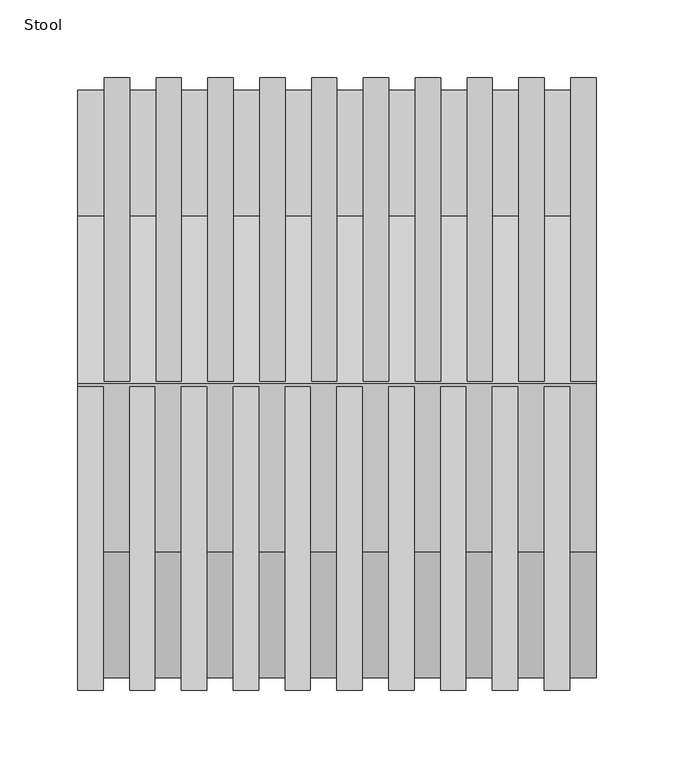
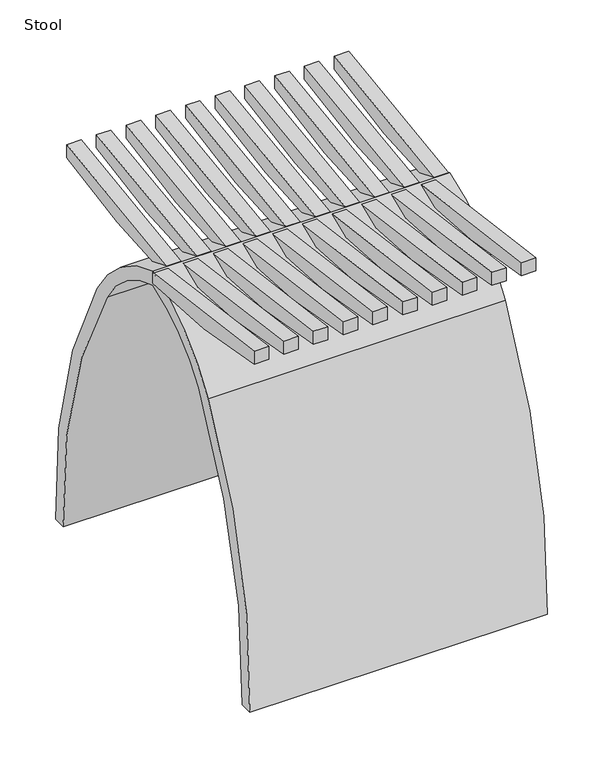
"""IFC4 building model written with IfcOpenShell, lengths in millimetres: furniture geometry, Stool."""

from ifc_helpers import new_model, si_unit, point, frame, frame_2d, origin, place, context, project, spatial, polyline, circle_curve, trimmed, segment, composite_curve, outline, extrude, source, transform, mapped, element, save
from ifc_brep_helpers import plane_surface, cylinder_surface, revolved_surface, advanced_brep


def stool_e0fdb4dd(model_context):
    return source(origin(), model_context, "Body", "SolidModel", [
        advanced_brep(
        [(166.6875, 196.8499939, 417.9948712), (166.6875, 196.8499939, 433.3875), (166.6875, 0.0, 407.4222881), (166.6875, 0.0, 394.6844076), (150.4314973, 196.8499939, 417.9948712), (150.4314973, 196.8499939, 433.3875), (150.4314973, 0.0, 407.4222881), (150.4314973, 0.0, 394.6844076)],
        [
            (0, 1),
            (1, 2, circle_curve(frame((166.6875, -42.1508382, 1486.1521096), z_axis=(-1.0, 0.0, 0.0), x_axis=(0.0, -1.0, 0.0)), 1079.553019)),
            (2, 3),
            (3, 0, circle_curve(frame((166.6875, -6.882433, 1295.6298424), z_axis=(1.0, 0.0, 0.0), x_axis=(0.0, -1.0, 0.0)), 900.9717223)),
            (0, 4),
            (4, 5),
            (5, 1),
            (5, 6, circle_curve(frame((150.4314973, -42.1508382, 1486.1521096), z_axis=(-1.0, 0.0, 0.0), x_axis=(0.0, -1.0, 0.0)), 1079.553019)),
            (6, 2),
            (3, 7),
            (7, 4, circle_curve(frame((150.4314973, -6.882433, 1295.6298424), z_axis=(1.0, 0.0, 0.0), x_axis=(0.0, -1.0, 0.0)), 900.9717223)),
            (7, 6),
        ],
        [
            plane_surface(frame((166.6875, 196.8499939, 433.3875), z_axis=(1.0, 0.0, 0.0), x_axis=(0.0, 0.0, 1.0))),
            plane_surface(frame((166.6875, 196.8499939, 417.9948712), z_axis=(0.0, 1.0, 0.0), x_axis=(-1.0, 0.0, 0.0))),
            revolved_surface(polyline([(150.4314973, -1121.7038572, 1486.1521096), (166.6875, -1121.7038572, 1486.1521096)]), (-166.5605001, -42.1508382, 1486.1521096), (-1.0, 0.0, 0.0)),
            cylinder_surface(frame((-166.5605001, -6.882433, 1295.6298424), z_axis=(1.0, 0.0, 0.0), x_axis=(0.0, -1.0, 0.0)), 900.9717223),
            plane_surface(frame((150.4314973, 0.0, 441.1116549), z_axis=(-1.0, 0.0, 0.0), x_axis=(0.0, 0.0, -1.0))),
            plane_surface(frame((166.6875, 0.0, 441.1116549), z_axis=(0.0, -1.0, 0.0), x_axis=(0.0, 0.0, -1.0))),
        ],
        [
            (0, [[1, 2, 3, 4]]),
            (1, [[-1, 5, 6, 7]]),
            (2, [[-2, -7, 8, 9]]),
            (3, [[-4, 10, 11, -5]]),
            (4, [[-6, -11, 12, -8]]),
            (5, [[-3, -9, -12, -10]]),
        ],
    ),
        advanced_brep(
        [(-166.5605001, 0.0, 394.6844076), (-166.5605001, -196.8499939, 417.9948712), (-166.5605001, -196.8499939, 433.3875), (-166.5605001, 0.0, 407.4222881), (-150.3044975, -196.8499939, 433.3875), (-150.3044975, 0.0, 407.4222881), (-150.3044975, -196.8499939, 417.9948712), (-150.3044975, 0.0, 394.6844076)],
        [
            (0, 1, circle_curve(frame((-166.5605001, 6.882433, 1295.6298424), z_axis=(-1.0, 0.0, 0.0), x_axis=(0.0, 1.0, 0.0)), 900.9717223)),
            (1, 2),
            (2, 3, circle_curve(frame((-166.5605001, 42.1508382, 1486.1521096), z_axis=(1.0, 0.0, 0.0), x_axis=(0.0, 1.0, 0.0)), 1079.553019)),
            (3, 0),
            (2, 4),
            (4, 5, circle_curve(frame((-150.3044975, 42.1508382, 1486.1521096), z_axis=(1.0, 0.0, 0.0), x_axis=(0.0, 1.0, 0.0)), 1079.553019)),
            (5, 3),
            (1, 6),
            (6, 4),
            (0, 7),
            (7, 6, circle_curve(frame((-150.3044975, 6.882433, 1295.6298424), z_axis=(-1.0, 0.0, 0.0), x_axis=(0.0, 1.0, 0.0)), 900.9717223)),
            (5, 7),
        ],
        [
            plane_surface(frame((-166.5605001, 196.8499939, 433.3875), z_axis=(-1.0, 0.0, 0.0), x_axis=(0.0, 0.0, -1.0))),
            revolved_surface(polyline([(-166.5605001, 1121.7038572, 1486.1521096), (-150.3044975, 1121.7038572, 1486.1521096)]), (-166.5605001, 42.1508382, 1486.1521096), (-1.0, 0.0, 0.0)),
            plane_surface(frame((166.6875, -196.8499939, 433.3875), z_axis=(0.0, -1.0, 0.0), x_axis=(-1.0, 0.0, 0.0))),
            cylinder_surface(frame((-166.5605001, 6.882433, 1295.6298424), z_axis=(1.0, 0.0, 0.0), x_axis=(0.0, 1.0, 0.0)), 900.9717223),
            plane_surface(frame((-166.5605001, 0.0, 441.1116549), z_axis=(0.0, 1.0, 0.0), x_axis=(0.0, 0.0, -1.0))),
            plane_surface(frame((-150.3044975, 0.0, 441.1116549), z_axis=(1.0, 0.0, 0.0), x_axis=(0.0, 0.0, -1.0))),
        ],
        [
            (0, [[1, 2, 3, 4]]),
            (1, [[-3, 5, 6, 7]]),
            (2, [[-2, 8, 9, -5]]),
            (3, [[-1, 10, 11, -8]]),
            (4, [[-4, -7, 12, -10]]),
            (5, [[-6, -9, -11, -12]]),
        ],
    ),
        advanced_brep(
        [(-133.2356992, 196.8499939, 417.9948712), (-149.4917019, 196.8499939, 417.9948712), (-149.4917019, 196.8499939, 433.3875), (-133.2356992, 196.8499939, 433.3875), (-149.4917019, 0.0, 407.4222881), (-133.2356992, 0.0, 407.4222881), (-116.9796965, 0.0, 407.4222881), (-133.2356992, -196.8499939, 433.3875), (-116.9796965, -196.8499939, 433.3875), (-133.2356992, -196.8499939, 417.9948712), (-116.9796965, -196.8499939, 417.9948712), (-133.2356992, 0.0, 394.6844076), (-116.9796965, 0.0, 394.6844076), (-149.4917019, 0.0, 394.6844076)],
        [
            (0, 1),
            (1, 2),
            (2, 3),
            (3, 0),
            (2, 4, circle_curve(frame((-149.4917019, -42.1508382, 1486.1521096), z_axis=(-1.0, 0.0, 0.0), x_axis=(0.0, -1.0, 0.0)), 1079.553019)),
            (4, 5),
            (5, 3, circle_curve(frame((-133.2356992, -42.1508382, 1486.1521096), z_axis=(1.0, 0.0, 0.0), x_axis=(0.0, -1.0, 0.0)), 1079.553019)),
            (6, 5),
            (5, 7, circle_curve(frame((-133.2356992, 42.1508382, 1486.1521096), z_axis=(-1.0, 0.0, 0.0), x_axis=(0.0, 1.0, 0.0)), 1079.553019)),
            (7, 8),
            (8, 6, circle_curve(frame((-116.9796965, 42.1508382, 1486.1521096), z_axis=(1.0, 0.0, 0.0), x_axis=(0.0, 1.0, 0.0)), 1079.553019)),
            (7, 9),
            (9, 10),
            (10, 8),
            (9, 11, circle_curve(frame((-133.2356992, 6.882433, 1295.6298424), z_axis=(1.0, 0.0, 0.0), x_axis=(0.0, 1.0, 0.0)), 900.9717223)),
            (11, 12),
            (12, 10, circle_curve(frame((-116.9796965, 6.882433, 1295.6298424), z_axis=(-1.0, 0.0, 0.0), x_axis=(0.0, 1.0, 0.0)), 900.9717223)),
            (0, 11, circle_curve(frame((-133.2356992, -6.882433, 1295.6298424), z_axis=(-1.0, 0.0, 0.0), x_axis=(0.0, -1.0, 0.0)), 900.9717223)),
            (11, 13),
            (13, 1, circle_curve(frame((-149.4917019, -6.882433, 1295.6298424), z_axis=(1.0, 0.0, 0.0), x_axis=(0.0, -1.0, 0.0)), 900.9717223)),
            (5, 11),
            (6, 12),
            (13, 4),
            (11, 5),
        ],
        [
            plane_surface(frame((166.6875, 196.8499939, 417.9948712), z_axis=(0.0, 1.0, 0.0), x_axis=(-1.0, 0.0, 0.0))),
            revolved_surface(polyline([(-149.4917019, -1121.7038572, 1486.1521096), (-133.2356992, -1121.7038572, 1486.1521096)]), (-166.5605001, -42.1508382, 1486.1521096), (-1.0, 0.0, 0.0)),
            revolved_surface(polyline([(-133.2356992, 1121.7038572, 1486.1521096), (-116.9796965, 1121.7038572, 1486.1521096)]), (-166.5605001, 42.1508382, 1486.1521096), (-1.0, 0.0, 0.0)),
            plane_surface(frame((166.6875, -196.8499939, 433.3875), z_axis=(0.0, -1.0, 0.0), x_axis=(-1.0, 0.0, 0.0))),
            cylinder_surface(frame((-166.5605001, 6.882433, 1295.6298424), z_axis=(1.0, 0.0, 0.0), x_axis=(0.0, 1.0, 0.0)), 900.9717223),
            cylinder_surface(frame((-166.5605001, -6.882433, 1295.6298424), z_axis=(1.0, 0.0, 0.0), x_axis=(0.0, -1.0, 0.0)), 900.9717223),
            plane_surface(frame((-133.2356992, 196.8499939, 441.1116549), z_axis=(1.0, 0.0, 0.0), x_axis=(0.0, 0.0, -1.0))),
            plane_surface(frame((-133.2356992, 0.0, 441.1116549), z_axis=(0.0, 1.0, 0.0), x_axis=(0.0, 0.0, -1.0))),
            plane_surface(frame((-149.4917019, 0.0, 441.1116549), z_axis=(-1.0, 0.0, 0.0), x_axis=(0.0, 0.0, -1.0))),
            plane_surface(frame((-116.9796965, 0.0, 441.1116549), z_axis=(1.0, 0.0, 0.0), x_axis=(0.0, 0.0, -1.0))),
            plane_surface(frame((-133.2356992, 0.0, 441.1116549), z_axis=(0.0, -1.0, 0.0), x_axis=(0.0, 0.0, -1.0))),
            plane_surface(frame((-133.2356992, -196.8499939, 441.1116549), z_axis=(-1.0, 0.0, 0.0), x_axis=(0.0, 0.0, -1.0))),
        ],
        [
            (0, [[1, 2, 3, 4]]),
            (1, [[-3, 5, 6, 7]]),
            (2, [[8, 9, 10, 11]]),
            (3, [[-10, 12, 13, 14]]),
            (4, [[-13, 15, 16, 17]]),
            (5, [[-1, 18, 19, 20]]),
            (6, [[21, -18, -4, -7]]),
            (7, [[-21, -8, 22, -16]]),
            (8, [[-2, -20, 23, -5]]),
            (9, [[-11, -14, -17, -22]]),
            (10, [[24, -6, -23, -19]]),
            (11, [[-24, -15, -12, -9]]),
        ],
    ),
        advanced_brep(
        [(-99.9108983, 196.8499939, 417.9948712), (-116.1669009, 196.8499939, 417.9948712), (-116.1669009, 196.8499939, 433.3875), (-99.9108983, 196.8499939, 433.3875), (-116.1669009, 0.0, 407.4222881), (-99.9108983, 0.0, 407.4222881), (-83.6548956, 0.0, 407.4222881), (-99.9108983, -196.8499939, 433.3875), (-83.6548956, -196.8499939, 433.3875), (-99.9108983, -196.8499939, 417.9948712), (-83.6548956, -196.8499939, 417.9948712), (-99.9108983, 0.0, 394.6844076), (-83.6548956, 0.0, 394.6844076), (-116.1669009, 0.0, 394.6844076)],
        [
            (0, 1),
            (1, 2),
            (2, 3),
            (3, 0),
            (2, 4, circle_curve(frame((-116.1669009, -42.1508382, 1486.1521096), z_axis=(-1.0, 0.0, 0.0), x_axis=(0.0, -1.0, 0.0)), 1079.553019)),
            (4, 5),
            (5, 3, circle_curve(frame((-99.9108983, -42.1508382, 1486.1521096), z_axis=(1.0, 0.0, 0.0), x_axis=(0.0, -1.0, 0.0)), 1079.553019)),
            (6, 5),
            (5, 7, circle_curve(frame((-99.9108983, 42.1508382, 1486.1521096), z_axis=(-1.0, 0.0, 0.0), x_axis=(0.0, 1.0, 0.0)), 1079.553019)),
            (7, 8),
            (8, 6, circle_curve(frame((-83.6548956, 42.1508382, 1486.1521096), z_axis=(1.0, 0.0, 0.0), x_axis=(0.0, 1.0, 0.0)), 1079.553019)),
            (7, 9),
            (9, 10),
            (10, 8),
            (9, 11, circle_curve(frame((-99.9108983, 6.882433, 1295.6298424), z_axis=(1.0, 0.0, 0.0), x_axis=(0.0, 1.0, 0.0)), 900.9717223)),
            (11, 12),
            (12, 10, circle_curve(frame((-83.6548956, 6.882433, 1295.6298424), z_axis=(-1.0, 0.0, 0.0), x_axis=(0.0, 1.0, 0.0)), 900.9717223)),
            (0, 11, circle_curve(frame((-99.9108983, -6.882433, 1295.6298424), z_axis=(-1.0, 0.0, 0.0), x_axis=(0.0, -1.0, 0.0)), 900.9717223)),
            (11, 13),
            (13, 1, circle_curve(frame((-116.1669009, -6.882433, 1295.6298424), z_axis=(1.0, 0.0, 0.0), x_axis=(0.0, -1.0, 0.0)), 900.9717223)),
            (13, 4),
            (5, 11),
            (6, 12),
            (11, 5),
        ],
        [
            plane_surface(frame((166.6875, 196.8499939, 417.9948712), z_axis=(0.0, 1.0, 0.0), x_axis=(-1.0, 0.0, 0.0))),
            revolved_surface(polyline([(-116.1669009, -1121.7038572, 1486.1521096), (-99.9108983, -1121.7038572, 1486.1521096)]), (-166.5605001, -42.1508382, 1486.1521096), (-1.0, 0.0, 0.0)),
            revolved_surface(polyline([(-99.9108983, 1121.7038572, 1486.1521096), (-83.6548956, 1121.7038572, 1486.1521096)]), (-166.5605001, 42.1508382, 1486.1521096), (-1.0, 0.0, 0.0)),
            plane_surface(frame((166.6875, -196.8499939, 433.3875), z_axis=(0.0, -1.0, 0.0), x_axis=(-1.0, 0.0, 0.0))),
            cylinder_surface(frame((-166.5605001, 6.882433, 1295.6298424), z_axis=(1.0, 0.0, 0.0), x_axis=(0.0, 1.0, 0.0)), 900.9717223),
            cylinder_surface(frame((-166.5605001, -6.882433, 1295.6298424), z_axis=(1.0, 0.0, 0.0), x_axis=(0.0, -1.0, 0.0)), 900.9717223),
            plane_surface(frame((-116.1669009, 0.0, 441.1116549), z_axis=(-1.0, 0.0, 0.0), x_axis=(0.0, 0.0, -1.0))),
            plane_surface(frame((-99.9108983, 196.8499939, 441.1116549), z_axis=(1.0, 0.0, 0.0), x_axis=(0.0, 0.0, -1.0))),
            plane_surface(frame((-99.9108983, 0.0, 441.1116549), z_axis=(0.0, 1.0, 0.0), x_axis=(0.0, 0.0, -1.0))),
            plane_surface(frame((-99.9108983, 0.0, 441.1116549), z_axis=(0.0, -1.0, 0.0), x_axis=(0.0, 0.0, -1.0))),
            plane_surface(frame((-99.9108983, -196.8499939, 441.1116549), z_axis=(-1.0, 0.0, 0.0), x_axis=(0.0, 0.0, -1.0))),
            plane_surface(frame((-83.6548956, 0.0, 441.1116549), z_axis=(1.0, 0.0, 0.0), x_axis=(0.0, 0.0, -1.0))),
        ],
        [
            (0, [[1, 2, 3, 4]]),
            (1, [[-3, 5, 6, 7]]),
            (2, [[8, 9, 10, 11]]),
            (3, [[-10, 12, 13, 14]]),
            (4, [[-13, 15, 16, 17]]),
            (5, [[-1, 18, 19, 20]]),
            (6, [[-2, -20, 21, -5]]),
            (7, [[22, -18, -4, -7]]),
            (8, [[-22, -8, 23, -16]]),
            (9, [[24, -6, -21, -19]]),
            (10, [[-24, -15, -12, -9]]),
            (11, [[-11, -14, -17, -23]]),
        ],
    ),
        advanced_brep(
        [(-66.5860974, 196.8499939, 417.9948712), (-82.8421, 196.8499939, 417.9948712), (-82.8421, 196.8499939, 433.3875), (-66.5860974, 196.8499939, 433.3875), (-82.8421, 0.0, 407.4222881), (-66.5860974, 0.0, 407.4222881), (-50.3300947, 0.0, 407.4222881), (-66.5860974, -196.8499939, 433.3875), (-50.3300947, -196.8499939, 433.3875), (-66.5860974, -196.8499939, 417.9948712), (-50.3300947, -196.8499939, 417.9948712), (-66.5860974, 0.0, 394.6844076), (-50.3300947, 0.0, 394.6844076), (-82.8421, 0.0, 394.6844076)],
        [
            (0, 1),
            (1, 2),
            (2, 3),
            (3, 0),
            (2, 4, circle_curve(frame((-82.8421, -42.1508382, 1486.1521096), z_axis=(-1.0, 0.0, 0.0), x_axis=(0.0, -1.0, 0.0)), 1079.553019)),
            (4, 5),
            (5, 3, circle_curve(frame((-66.5860974, -42.1508382, 1486.1521096), z_axis=(1.0, 0.0, 0.0), x_axis=(0.0, -1.0, 0.0)), 1079.553019)),
            (6, 5),
            (5, 7, circle_curve(frame((-66.5860974, 42.1508382, 1486.1521096), z_axis=(-1.0, 0.0, 0.0), x_axis=(0.0, 1.0, 0.0)), 1079.553019)),
            (7, 8),
            (8, 6, circle_curve(frame((-50.3300947, 42.1508382, 1486.1521096), z_axis=(1.0, 0.0, 0.0), x_axis=(0.0, 1.0, 0.0)), 1079.553019)),
            (7, 9),
            (9, 10),
            (10, 8),
            (9, 11, circle_curve(frame((-66.5860974, 6.882433, 1295.6298424), z_axis=(1.0, 0.0, 0.0), x_axis=(0.0, 1.0, 0.0)), 900.9717223)),
            (11, 12),
            (12, 10, circle_curve(frame((-50.3300947, 6.882433, 1295.6298424), z_axis=(-1.0, 0.0, 0.0), x_axis=(0.0, 1.0, 0.0)), 900.9717223)),
            (0, 11, circle_curve(frame((-66.5860974, -6.882433, 1295.6298424), z_axis=(-1.0, 0.0, 0.0), x_axis=(0.0, -1.0, 0.0)), 900.9717223)),
            (11, 13),
            (13, 1, circle_curve(frame((-82.8421, -6.882433, 1295.6298424), z_axis=(1.0, 0.0, 0.0), x_axis=(0.0, -1.0, 0.0)), 900.9717223)),
            (13, 4),
            (5, 11),
            (6, 12),
            (11, 5),
        ],
        [
            plane_surface(frame((166.6875, 196.8499939, 417.9948712), z_axis=(0.0, 1.0, 0.0), x_axis=(-1.0, 0.0, 0.0))),
            revolved_surface(polyline([(-82.8421, -1121.7038572, 1486.1521096), (-66.5860974, -1121.7038572, 1486.1521096)]), (-166.5605001, -42.1508382, 1486.1521096), (-1.0, 0.0, 0.0)),
            revolved_surface(polyline([(-66.5860974, 1121.7038572, 1486.1521096), (-50.33009469999999, 1121.7038572, 1486.1521096)]), (-166.5605001, 42.1508382, 1486.1521096), (-1.0, 0.0, 0.0)),
            plane_surface(frame((166.6875, -196.8499939, 433.3875), z_axis=(0.0, -1.0, 0.0), x_axis=(-1.0, 0.0, 0.0))),
            cylinder_surface(frame((-166.5605001, 6.882433, 1295.6298424), z_axis=(1.0, 0.0, 0.0), x_axis=(0.0, 1.0, 0.0)), 900.9717223),
            cylinder_surface(frame((-166.5605001, -6.882433, 1295.6298424), z_axis=(1.0, 0.0, 0.0), x_axis=(0.0, -1.0, 0.0)), 900.9717223),
            plane_surface(frame((-82.8421, 0.0, 441.1116549), z_axis=(-1.0, 0.0, 0.0), x_axis=(0.0, 0.0, -1.0))),
            plane_surface(frame((-66.5860974, 196.8499939, 441.1116549), z_axis=(1.0, 0.0, 0.0), x_axis=(0.0, 0.0, -1.0))),
            plane_surface(frame((-66.5860974, 0.0, 441.1116549), z_axis=(0.0, 1.0, 0.0), x_axis=(0.0, 0.0, -1.0))),
            plane_surface(frame((-66.5860974, 0.0, 441.1116549), z_axis=(0.0, -1.0, 0.0), x_axis=(0.0, 0.0, -1.0))),
            plane_surface(frame((-66.5860974, -196.8499939, 441.1116549), z_axis=(-1.0, 0.0, 0.0), x_axis=(0.0, 0.0, -1.0))),
            plane_surface(frame((-50.3300947, 0.0, 441.1116549), z_axis=(1.0, 0.0, 0.0), x_axis=(0.0, 0.0, -1.0))),
        ],
        [
            (0, [[1, 2, 3, 4]]),
            (1, [[-3, 5, 6, 7]]),
            (2, [[8, 9, 10, 11]]),
            (3, [[-10, 12, 13, 14]]),
            (4, [[-13, 15, 16, 17]]),
            (5, [[-1, 18, 19, 20]]),
            (6, [[-2, -20, 21, -5]]),
            (7, [[22, -18, -4, -7]]),
            (8, [[-22, -8, 23, -16]]),
            (9, [[24, -6, -21, -19]]),
            (10, [[-24, -15, -12, -9]]),
            (11, [[-11, -14, -17, -23]]),
        ],
    ),
        advanced_brep(
        [(-33.2612987, 196.8499939, 417.9948712), (-49.5172991, 196.8499939, 417.9948712), (-49.5172991, 196.8499939, 433.3875), (-33.2612987, 196.8499939, 433.3875), (-49.5172991, 0.0, 407.4222881), (-33.2612987, 0.0, 407.4222881), (-17.005296, 0.0, 407.4222881), (-33.2612964, -196.8499939, 433.3875), (-17.005296, -196.8499939, 433.3875), (-33.2612964, -196.8499939, 417.9948712), (-17.005296, -196.8499939, 417.9948712), (-33.2612964, 0.0, 394.6844076), (-17.005296, 0.0, 394.6844076), (-49.5172991, 0.0, 394.6844076)],
        [
            (0, 1),
            (1, 2),
            (2, 3),
            (3, 0),
            (2, 4, circle_curve(frame((-49.5172991, -42.1508382, 1486.1521096), z_axis=(-1.0, 0.0, 0.0), x_axis=(0.0, -1.0, 0.0)), 1079.553019)),
            (4, 5),
            (5, 3, circle_curve(frame((-33.2612987, -42.1508382, 1486.1521096), z_axis=(1.0, 0.0, 0.0), x_axis=(0.0, -1.0, 0.0)), 1079.553019)),
            (6, 5),
            (5, 7, circle_curve(frame((-33.2612964, 42.1508382, 1486.1521096), z_axis=(-1.0, 0.0, 0.0), x_axis=(0.0, 1.0, 0.0)), 1079.553019)),
            (7, 8),
            (8, 6, circle_curve(frame((-17.005296, 42.1508382, 1486.1521096), z_axis=(1.0, 0.0, 0.0), x_axis=(0.0, 1.0, 0.0)), 1079.553019)),
            (7, 9),
            (9, 10),
            (10, 8),
            (9, 11, circle_curve(frame((-33.2612964, 6.882433, 1295.6298424), z_axis=(1.0, 0.0, 0.0), x_axis=(0.0, 1.0, 0.0)), 900.9717223)),
            (11, 12),
            (12, 10, circle_curve(frame((-17.005296, 6.882433, 1295.6298424), z_axis=(-1.0, 0.0, 0.0), x_axis=(0.0, 1.0, 0.0)), 900.9717223)),
            (0, 11, circle_curve(frame((-33.2612987, -6.882433, 1295.6298424), z_axis=(-1.0, 0.0, 0.0), x_axis=(0.0, -1.0, 0.0)), 900.9717223)),
            (11, 13),
            (13, 1, circle_curve(frame((-49.5172991, -6.882433, 1295.6298424), z_axis=(1.0, 0.0, 0.0), x_axis=(0.0, -1.0, 0.0)), 900.9717223)),
            (13, 4),
            (5, 11),
            (6, 12),
            (11, 5),
        ],
        [
            plane_surface(frame((166.6875, 196.8499939, 417.9948712), z_axis=(0.0, 1.0, 0.0), x_axis=(-1.0, 0.0, 0.0))),
            revolved_surface(polyline([(-49.5172991, -1121.7038572, 1486.1521096), (-33.2612987, -1121.7038572, 1486.1521096)]), (-166.5605001, -42.1508382, 1486.1521096), (-1.0, 0.0, 0.0)),
            revolved_surface(polyline([(-33.2612987, 1121.7038572, 1486.1521096), (-17.005295999999987, 1121.7038572, 1486.1521096)]), (-166.5605001, 42.1508382, 1486.1521096), (-1.0, 0.0, 0.0)),
            plane_surface(frame((166.6875, -196.8499939, 433.3875), z_axis=(0.0, -1.0, 0.0), x_axis=(-1.0, 0.0, 0.0))),
            cylinder_surface(frame((-166.5605001, 6.882433, 1295.6298424), z_axis=(1.0, 0.0, 0.0), x_axis=(0.0, 1.0, 0.0)), 900.9717223),
            cylinder_surface(frame((-166.5605001, -6.882433, 1295.6298424), z_axis=(1.0, 0.0, 0.0), x_axis=(0.0, -1.0, 0.0)), 900.9717223),
            plane_surface(frame((-49.5172991, 0.0, 441.1116549), z_axis=(-1.0, 0.0, 0.0), x_axis=(0.0, 0.0, -1.0))),
            plane_surface(frame((-33.2612987, 196.8499939, 441.1116549), z_axis=(1.0, 0.0, 0.0), x_axis=(0.0, 0.0, -1.0))),
            plane_surface(frame((-33.2612987, 0.0, 441.1116549), z_axis=(0.0, 1.0, 0.0), x_axis=(0.0, 0.0, -1.0))),
            plane_surface(frame((-33.2612964, 0.0, 441.1116549), z_axis=(0.0, -1.0, 0.0), x_axis=(0.0, 0.0, -1.0))),
            plane_surface(frame((-33.2612964, -196.8499939, 441.1116549), z_axis=(-1.0, 0.0, 0.0), x_axis=(0.0, 0.0, -1.0))),
            plane_surface(frame((-17.005296, 0.0, 441.1116549), z_axis=(1.0, 0.0, 0.0), x_axis=(0.0, 0.0, -1.0))),
        ],
        [
            (0, [[1, 2, 3, 4]]),
            (1, [[-3, 5, 6, 7]]),
            (2, [[8, 9, 10, 11]]),
            (3, [[-10, 12, 13, 14]]),
            (4, [[-13, 15, 16, 17]]),
            (5, [[-1, 18, 19, 20]]),
            (6, [[-2, -20, 21, -5]]),
            (7, [[22, -18, -4, -7]]),
            (8, [[-22, -8, 23, -16]]),
            (9, [[24, -6, -21, -19]]),
            (10, [[-24, -15, -12, -9]]),
            (11, [[-11, -14, -17, -23]]),
        ],
    ),
        advanced_brep(
        [(0.0635022, 196.8499939, 417.9948712), (-16.1925005, 196.8499939, 417.9948712), (-16.1925005, 196.8499939, 433.3875), (0.0635022, 196.8499939, 433.3875), (-16.1925005, 0.0, 407.4222881), (0.0635022, 0.0, 407.4222881), (16.3195049, 0.0, 407.4222881), (0.0635022, -196.8499939, 433.3875), (16.3195049, -196.8499939, 433.3875), (0.0635022, -196.8499939, 417.9948712), (16.3195049, -196.8499939, 417.9948712), (0.0635022, 0.0, 394.6844076), (16.3195049, 0.0, 394.6844076), (-16.1925005, 0.0, 394.6844076)],
        [
            (0, 1),
            (1, 2),
            (2, 3),
            (3, 0),
            (2, 4, circle_curve(frame((-16.1925005, -42.1508382, 1486.1521096), z_axis=(-1.0, 0.0, 0.0), x_axis=(0.0, -1.0, 0.0)), 1079.553019)),
            (4, 5),
            (5, 3, circle_curve(frame((0.0635022, -42.1508382, 1486.1521096), z_axis=(1.0, 0.0, 0.0), x_axis=(0.0, -1.0, 0.0)), 1079.553019)),
            (6, 5),
            (5, 7, circle_curve(frame((0.0635022, 42.1508382, 1486.1521096), z_axis=(-1.0, 0.0, 0.0), x_axis=(0.0, 1.0, 0.0)), 1079.553019)),
            (7, 8),
            (8, 6, circle_curve(frame((16.3195049, 42.1508382, 1486.1521096), z_axis=(1.0, 0.0, 0.0), x_axis=(0.0, 1.0, 0.0)), 1079.553019)),
            (7, 9),
            (9, 10),
            (10, 8),
            (9, 11, circle_curve(frame((0.0635022, 6.882433, 1295.6298424), z_axis=(1.0, 0.0, 0.0), x_axis=(0.0, 1.0, 0.0)), 900.9717223)),
            (11, 12),
            (12, 10, circle_curve(frame((16.3195049, 6.882433, 1295.6298424), z_axis=(-1.0, 0.0, 0.0), x_axis=(0.0, 1.0, 0.0)), 900.9717223)),
            (0, 11, circle_curve(frame((0.0635022, -6.882433, 1295.6298424), z_axis=(-1.0, 0.0, 0.0), x_axis=(0.0, -1.0, 0.0)), 900.9717223)),
            (11, 13),
            (13, 1, circle_curve(frame((-16.1925005, -6.882433, 1295.6298424), z_axis=(1.0, 0.0, 0.0), x_axis=(0.0, -1.0, 0.0)), 900.9717223)),
            (13, 4),
            (5, 11),
            (6, 12),
            (11, 5),
        ],
        [
            plane_surface(frame((166.6875, 196.8499939, 417.9948712), z_axis=(0.0, 1.0, 0.0), x_axis=(-1.0, 0.0, 0.0))),
            revolved_surface(polyline([(-16.192500499999994, -1121.7038572, 1486.1521096), (0.06350219999998785, -1121.7038572, 1486.1521096)]), (-166.5605001, -42.1508382, 1486.1521096), (-1.0, 0.0, 0.0)),
            revolved_surface(polyline([(0.06350219999998785, 1121.7038572, 1486.1521096), (16.3195049, 1121.7038572, 1486.1521096)]), (-166.5605001, 42.1508382, 1486.1521096), (-1.0, 0.0, 0.0)),
            plane_surface(frame((166.6875, -196.8499939, 433.3875), z_axis=(0.0, -1.0, 0.0), x_axis=(-1.0, 0.0, 0.0))),
            cylinder_surface(frame((-166.5605001, 6.882433, 1295.6298424), z_axis=(1.0, 0.0, 0.0), x_axis=(0.0, 1.0, 0.0)), 900.9717223),
            cylinder_surface(frame((-166.5605001, -6.882433, 1295.6298424), z_axis=(1.0, 0.0, 0.0), x_axis=(0.0, -1.0, 0.0)), 900.9717223),
            plane_surface(frame((-16.1925005, 0.0, 441.1116549), z_axis=(-1.0, 0.0, 0.0), x_axis=(0.0, 0.0, -1.0))),
            plane_surface(frame((0.0635022, 196.8499939, 441.1116549), z_axis=(1.0, 0.0, 0.0), x_axis=(0.0, 0.0, -1.0))),
            plane_surface(frame((0.0635022, 0.0, 441.1116549), z_axis=(0.0, 1.0, 0.0), x_axis=(0.0, 0.0, -1.0))),
            plane_surface(frame((0.0635022, 0.0, 441.1116549), z_axis=(0.0, -1.0, 0.0), x_axis=(0.0, 0.0, -1.0))),
            plane_surface(frame((0.0635022, -196.8499939, 441.1116549), z_axis=(-1.0, 0.0, 0.0), x_axis=(0.0, 0.0, -1.0))),
            plane_surface(frame((16.3195049, 0.0, 441.1116549), z_axis=(1.0, 0.0, 0.0), x_axis=(0.0, 0.0, -1.0))),
        ],
        [
            (0, [[1, 2, 3, 4]]),
            (1, [[-3, 5, 6, 7]]),
            (2, [[8, 9, 10, 11]]),
            (3, [[-10, 12, 13, 14]]),
            (4, [[-13, 15, 16, 17]]),
            (5, [[-1, 18, 19, 20]]),
            (6, [[-2, -20, 21, -5]]),
            (7, [[22, -18, -4, -7]]),
            (8, [[-22, -8, 23, -16]]),
            (9, [[24, -6, -21, -19]]),
            (10, [[-24, -15, -12, -9]]),
            (11, [[-11, -14, -17, -23]]),
        ],
    ),
        advanced_brep(
        [(33.3883009, 196.8499939, 417.9948712), (17.1323005, 196.8499939, 417.9948712), (17.1323005, 196.8499939, 433.3875), (33.3883009, 196.8499939, 433.3875), (17.1323005, 0.0, 407.4222881), (33.3883009, 0.0, 407.4222881), (49.6443035, 0.0, 407.4222881), (33.3883031, -196.8499939, 433.3875), (49.6443035, -196.8499939, 433.3875), (33.3883031, -196.8499939, 417.9948712), (49.6443035, -196.8499939, 417.9948712), (33.3883031, 0.0, 394.6844076), (49.6443035, 0.0, 394.6844076), (17.1323005, 0.0, 394.6844076)],
        [
            (0, 1),
            (1, 2),
            (2, 3),
            (3, 0),
            (2, 4, circle_curve(frame((17.1323005, -42.1508382, 1486.1521096), z_axis=(-1.0, 0.0, 0.0), x_axis=(0.0, -1.0, 0.0)), 1079.553019)),
            (4, 5),
            (5, 3, circle_curve(frame((33.3883009, -42.1508382, 1486.1521096), z_axis=(1.0, 0.0, 0.0), x_axis=(0.0, -1.0, 0.0)), 1079.553019)),
            (6, 5),
            (5, 7, circle_curve(frame((33.3883031, 42.1508382, 1486.1521096), z_axis=(-1.0, 0.0, 0.0), x_axis=(0.0, 1.0, 0.0)), 1079.553019)),
            (7, 8),
            (8, 6, circle_curve(frame((49.6443035, 42.1508382, 1486.1521096), z_axis=(1.0, 0.0, 0.0), x_axis=(0.0, 1.0, 0.0)), 1079.553019)),
            (7, 9),
            (9, 10),
            (10, 8),
            (9, 11, circle_curve(frame((33.3883031, 6.882433, 1295.6298424), z_axis=(1.0, 0.0, 0.0), x_axis=(0.0, 1.0, 0.0)), 900.9717223)),
            (11, 12),
            (12, 10, circle_curve(frame((49.6443035, 6.882433, 1295.6298424), z_axis=(-1.0, 0.0, 0.0), x_axis=(0.0, 1.0, 0.0)), 900.9717223)),
            (0, 11, circle_curve(frame((33.3883009, -6.882433, 1295.6298424), z_axis=(-1.0, 0.0, 0.0), x_axis=(0.0, -1.0, 0.0)), 900.9717223)),
            (11, 13),
            (13, 1, circle_curve(frame((17.1323005, -6.882433, 1295.6298424), z_axis=(1.0, 0.0, 0.0), x_axis=(0.0, -1.0, 0.0)), 900.9717223)),
            (13, 4),
            (5, 11),
            (6, 12),
            (11, 5),
        ],
        [
            plane_surface(frame((166.6875, 196.8499939, 417.9948712), z_axis=(0.0, 1.0, 0.0), x_axis=(-1.0, 0.0, 0.0))),
            revolved_surface(polyline([(17.132300499999985, -1121.7038572, 1486.1521096), (33.38830089999999, -1121.7038572, 1486.1521096)]), (-166.5605001, -42.1508382, 1486.1521096), (-1.0, 0.0, 0.0)),
            revolved_surface(polyline([(33.38830089999999, 1121.7038572, 1486.1521096), (49.64430350000001, 1121.7038572, 1486.1521096)]), (-166.5605001, 42.1508382, 1486.1521096), (-1.0, 0.0, 0.0)),
            plane_surface(frame((166.6875, -196.8499939, 433.3875), z_axis=(0.0, -1.0, 0.0), x_axis=(-1.0, 0.0, 0.0))),
            cylinder_surface(frame((-166.5605001, 6.882433, 1295.6298424), z_axis=(1.0, 0.0, 0.0), x_axis=(0.0, 1.0, 0.0)), 900.9717223),
            cylinder_surface(frame((-166.5605001, -6.882433, 1295.6298424), z_axis=(1.0, 0.0, 0.0), x_axis=(0.0, -1.0, 0.0)), 900.9717223),
            plane_surface(frame((17.1323005, 0.0, 441.1116549), z_axis=(-1.0, 0.0, 0.0), x_axis=(0.0, 0.0, -1.0))),
            plane_surface(frame((33.3883009, 196.8499939, 441.1116549), z_axis=(1.0, 0.0, 0.0), x_axis=(0.0, 0.0, -1.0))),
            plane_surface(frame((33.3883009, 0.0, 441.1116549), z_axis=(0.0, 1.0, 0.0), x_axis=(0.0, 0.0, -1.0))),
            plane_surface(frame((33.3883031, 0.0, 441.1116549), z_axis=(0.0, -1.0, 0.0), x_axis=(0.0, 0.0, -1.0))),
            plane_surface(frame((33.3883031, -196.8499939, 441.1116549), z_axis=(-1.0, 0.0, 0.0), x_axis=(0.0, 0.0, -1.0))),
            plane_surface(frame((49.6443035, 0.0, 441.1116549), z_axis=(1.0, 0.0, 0.0), x_axis=(0.0, 0.0, -1.0))),
        ],
        [
            (0, [[1, 2, 3, 4]]),
            (1, [[-3, 5, 6, 7]]),
            (2, [[8, 9, 10, 11]]),
            (3, [[-10, 12, 13, 14]]),
            (4, [[-13, 15, 16, 17]]),
            (5, [[-1, 18, 19, 20]]),
            (6, [[-2, -20, 21, -5]]),
            (7, [[22, -18, -4, -7]]),
            (8, [[-22, -8, 23, -16]]),
            (9, [[24, -6, -21, -19]]),
            (10, [[-24, -15, -12, -9]]),
            (11, [[-11, -14, -17, -23]]),
        ],
    ),
        advanced_brep(
        [(66.7130972, 196.8499939, 417.9948712), (50.4570991, 196.8499939, 417.9948712), (50.4570991, 196.8499939, 433.3875), (66.7130972, 196.8499939, 433.3875), (50.4570991, 0.0, 407.4222881), (66.7130972, 0.0, 407.4222881), (82.9690999, 0.0, 407.4222881), (66.7131018, -196.8499939, 433.3875), (82.9690999, -196.8499939, 433.3875), (66.7131018, -196.8499939, 417.9948712), (82.9690999, -196.8499939, 417.9948712), (66.7131018, 0.0, 394.6844076), (82.9690999, 0.0, 394.6844076), (50.4570991, 0.0, 394.6844076)],
        [
            (0, 1),
            (1, 2),
            (2, 3),
            (3, 0),
            (2, 4, circle_curve(frame((50.4570991, -42.1508382, 1486.1521096), z_axis=(-1.0, 0.0, 0.0), x_axis=(0.0, -1.0, 0.0)), 1079.553019)),
            (4, 5),
            (5, 3, circle_curve(frame((66.7130972, -42.1508382, 1486.1521096), z_axis=(1.0, 0.0, 0.0), x_axis=(0.0, -1.0, 0.0)), 1079.553019)),
            (6, 5),
            (5, 7, circle_curve(frame((66.7131018, 42.1508382, 1486.1521096), z_axis=(-1.0, 0.0, 0.0), x_axis=(0.0, 1.0, 0.0)), 1079.553019)),
            (7, 8),
            (8, 6, circle_curve(frame((82.9690999, 42.1508382, 1486.1521096), z_axis=(1.0, 0.0, 0.0), x_axis=(0.0, 1.0, 0.0)), 1079.553019)),
            (7, 9),
            (9, 10),
            (10, 8),
            (9, 11, circle_curve(frame((66.7131018, 6.882433, 1295.6298424), z_axis=(1.0, 0.0, 0.0), x_axis=(0.0, 1.0, 0.0)), 900.9717223)),
            (11, 12),
            (12, 10, circle_curve(frame((82.9690999, 6.882433, 1295.6298424), z_axis=(-1.0, 0.0, 0.0), x_axis=(0.0, 1.0, 0.0)), 900.9717223)),
            (0, 11, circle_curve(frame((66.7130972, -6.882433, 1295.6298424), z_axis=(-1.0, 0.0, 0.0), x_axis=(0.0, -1.0, 0.0)), 900.9717223)),
            (11, 13),
            (13, 1, circle_curve(frame((50.4570991, -6.882433, 1295.6298424), z_axis=(1.0, 0.0, 0.0), x_axis=(0.0, -1.0, 0.0)), 900.9717223)),
            (13, 4),
            (5, 11),
            (6, 12),
            (11, 5),
        ],
        [
            plane_surface(frame((166.6875, 196.8499939, 417.9948712), z_axis=(0.0, 1.0, 0.0), x_axis=(-1.0, 0.0, 0.0))),
            revolved_surface(polyline([(50.45709909999999, -1121.7038572, 1486.1521096), (66.71309719999999, -1121.7038572, 1486.1521096)]), (-166.5605001, -42.1508382, 1486.1521096), (-1.0, 0.0, 0.0)),
            revolved_surface(polyline([(66.71309719999999, 1121.7038572, 1486.1521096), (82.9690999, 1121.7038572, 1486.1521096)]), (-166.5605001, 42.1508382, 1486.1521096), (-1.0, 0.0, 0.0)),
            plane_surface(frame((166.6875, -196.8499939, 433.3875), z_axis=(0.0, -1.0, 0.0), x_axis=(-1.0, 0.0, 0.0))),
            cylinder_surface(frame((-166.5605001, 6.882433, 1295.6298424), z_axis=(1.0, 0.0, 0.0), x_axis=(0.0, 1.0, 0.0)), 900.9717223),
            cylinder_surface(frame((-166.5605001, -6.882433, 1295.6298424), z_axis=(1.0, 0.0, 0.0), x_axis=(0.0, -1.0, 0.0)), 900.9717223),
            plane_surface(frame((50.4570991, 0.0, 441.1116549), z_axis=(-1.0, 0.0, 0.0), x_axis=(0.0, 0.0, -1.0))),
            plane_surface(frame((66.7130972, 196.8499939, 441.1116549), z_axis=(1.0, 0.0, 0.0), x_axis=(0.0, 0.0, -1.0))),
            plane_surface(frame((66.7130972, 0.0, 441.1116549), z_axis=(0.0, 1.0, 0.0), x_axis=(0.0, 0.0, -1.0))),
            plane_surface(frame((66.7131018, 0.0, 441.1116549), z_axis=(0.0, -1.0, 0.0), x_axis=(0.0, 0.0, -1.0))),
            plane_surface(frame((66.7131018, -196.8499939, 441.1116549), z_axis=(-1.0, 0.0, 0.0), x_axis=(0.0, 0.0, -1.0))),
            plane_surface(frame((82.9690999, 0.0, 441.1116549), z_axis=(1.0, 0.0, 0.0), x_axis=(0.0, 0.0, -1.0))),
        ],
        [
            (0, [[1, 2, 3, 4]]),
            (1, [[-3, 5, 6, 7]]),
            (2, [[8, 9, 10, 11]]),
            (3, [[-10, 12, 13, 14]]),
            (4, [[-13, 15, 16, 17]]),
            (5, [[-1, 18, 19, 20]]),
            (6, [[-2, -20, 21, -5]]),
            (7, [[22, -18, -4, -7]]),
            (8, [[-22, -8, 23, -16]]),
            (9, [[24, -6, -21, -19]]),
            (10, [[-24, -15, -12, -9]]),
            (11, [[-11, -14, -17, -23]]),
        ],
    ),
        advanced_brep(
        [(100.0378982, 196.8499939, 417.9948712), (83.7818955, 196.8499939, 417.9948712), (83.7818955, 196.8499939, 433.3875), (100.0378982, 196.8499939, 433.3875), (83.7818955, 0.0, 407.4222881), (100.0378982, 0.0, 407.4222881), (116.2939008, 0.0, 407.4222881), (100.0378982, -196.8499939, 433.3875), (116.2939008, -196.8499939, 433.3875), (100.0378982, -196.8499939, 417.9948712), (116.2939008, -196.8499939, 417.9948712), (100.0378982, 0.0, 394.6844076), (116.2939008, 0.0, 394.6844076), (83.7818955, 0.0, 394.6844076)],
        [
            (0, 1),
            (1, 2),
            (2, 3),
            (3, 0),
            (2, 4, circle_curve(frame((83.7818955, -42.1508382, 1486.1521096), z_axis=(-1.0, 0.0, 0.0), x_axis=(0.0, -1.0, 0.0)), 1079.553019)),
            (4, 5),
            (5, 3, circle_curve(frame((100.0378982, -42.1508382, 1486.1521096), z_axis=(1.0, 0.0, 0.0), x_axis=(0.0, -1.0, 0.0)), 1079.553019)),
            (6, 5),
            (5, 7, circle_curve(frame((100.0378982, 42.1508382, 1486.1521096), z_axis=(-1.0, 0.0, 0.0), x_axis=(0.0, 1.0, 0.0)), 1079.553019)),
            (7, 8),
            (8, 6, circle_curve(frame((116.2939008, 42.1508382, 1486.1521096), z_axis=(1.0, 0.0, 0.0), x_axis=(0.0, 1.0, 0.0)), 1079.553019)),
            (7, 9),
            (9, 10),
            (10, 8),
            (9, 11, circle_curve(frame((100.0378982, 6.882433, 1295.6298424), z_axis=(1.0, 0.0, 0.0), x_axis=(0.0, 1.0, 0.0)), 900.9717223)),
            (11, 12),
            (12, 10, circle_curve(frame((116.2939008, 6.882433, 1295.6298424), z_axis=(-1.0, 0.0, 0.0), x_axis=(0.0, 1.0, 0.0)), 900.9717223)),
            (0, 11, circle_curve(frame((100.0378982, -6.882433, 1295.6298424), z_axis=(-1.0, 0.0, 0.0), x_axis=(0.0, -1.0, 0.0)), 900.9717223)),
            (11, 13),
            (13, 1, circle_curve(frame((83.7818955, -6.882433, 1295.6298424), z_axis=(1.0, 0.0, 0.0), x_axis=(0.0, -1.0, 0.0)), 900.9717223)),
            (13, 4),
            (5, 11),
            (6, 12),
            (11, 5),
        ],
        [
            plane_surface(frame((166.6875, 196.8499939, 417.9948712), z_axis=(0.0, 1.0, 0.0), x_axis=(-1.0, 0.0, 0.0))),
            revolved_surface(polyline([(83.78189550000002, -1121.7038572, 1486.1521096), (100.03789819999997, -1121.7038572, 1486.1521096)]), (-166.5605001, -42.1508382, 1486.1521096), (-1.0, 0.0, 0.0)),
            revolved_surface(polyline([(100.03789819999997, 1121.7038572, 1486.1521096), (116.29390080000002, 1121.7038572, 1486.1521096)]), (-166.5605001, 42.1508382, 1486.1521096), (-1.0, 0.0, 0.0)),
            plane_surface(frame((166.6875, -196.8499939, 433.3875), z_axis=(0.0, -1.0, 0.0), x_axis=(-1.0, 0.0, 0.0))),
            cylinder_surface(frame((-166.5605001, 6.882433, 1295.6298424), z_axis=(1.0, 0.0, 0.0), x_axis=(0.0, 1.0, 0.0)), 900.9717223),
            cylinder_surface(frame((-166.5605001, -6.882433, 1295.6298424), z_axis=(1.0, 0.0, 0.0), x_axis=(0.0, -1.0, 0.0)), 900.9717223),
            plane_surface(frame((83.7818955, 0.0, 441.1116549), z_axis=(-1.0, 0.0, 0.0), x_axis=(0.0, 0.0, -1.0))),
            plane_surface(frame((100.0378982, 196.8499939, 441.1116549), z_axis=(1.0, 0.0, 0.0), x_axis=(0.0, 0.0, -1.0))),
            plane_surface(frame((100.0378982, 0.0, 441.1116549), z_axis=(0.0, 1.0, 0.0), x_axis=(0.0, 0.0, -1.0))),
            plane_surface(frame((100.0378982, 0.0, 441.1116549), z_axis=(0.0, -1.0, 0.0), x_axis=(0.0, 0.0, -1.0))),
            plane_surface(frame((100.0378982, -196.8499939, 441.1116549), z_axis=(-1.0, 0.0, 0.0), x_axis=(0.0, 0.0, -1.0))),
            plane_surface(frame((116.2939008, 0.0, 441.1116549), z_axis=(1.0, 0.0, 0.0), x_axis=(0.0, 0.0, -1.0))),
        ],
        [
            (0, [[1, 2, 3, 4]]),
            (1, [[-3, 5, 6, 7]]),
            (2, [[8, 9, 10, 11]]),
            (3, [[-10, 12, 13, 14]]),
            (4, [[-13, 15, 16, 17]]),
            (5, [[-1, 18, 19, 20]]),
            (6, [[-2, -20, 21, -5]]),
            (7, [[22, -18, -4, -7]]),
            (8, [[-22, -8, 23, -16]]),
            (9, [[24, -6, -21, -19]]),
            (10, [[-24, -15, -12, -9]]),
            (11, [[-11, -14, -17, -23]]),
        ],
    ),
        advanced_brep(
        [(133.3626991, 196.8499939, 417.9948712), (117.1066964, 196.8499939, 417.9948712), (117.1066964, 196.8499939, 433.3875), (133.3626991, 196.8499939, 433.3875), (117.1066964, 0.0, 407.4222881), (133.3626991, 0.0, 407.4222881), (149.6187017, 0.0, 407.4222881), (133.3626991, -196.8499939, 433.3875), (149.6187017, -196.8499939, 433.3875), (133.3626991, -196.8499939, 417.9948712), (149.6187017, -196.8499939, 417.9948712), (133.3626991, 0.0, 394.6844076), (149.6187017, 0.0, 394.6844076), (117.1066964, 0.0, 394.6844076)],
        [
            (0, 1),
            (1, 2),
            (2, 3),
            (3, 0),
            (2, 4, circle_curve(frame((117.1066964, -42.1508382, 1486.1521096), z_axis=(-1.0, 0.0, 0.0), x_axis=(0.0, -1.0, 0.0)), 1079.553019)),
            (4, 5),
            (5, 3, circle_curve(frame((133.3626991, -42.1508382, 1486.1521096), z_axis=(1.0, 0.0, 0.0), x_axis=(0.0, -1.0, 0.0)), 1079.553019)),
            (6, 5),
            (5, 7, circle_curve(frame((133.3626991, 42.1508382, 1486.1521096), z_axis=(-1.0, 0.0, 0.0), x_axis=(0.0, 1.0, 0.0)), 1079.553019)),
            (7, 8),
            (8, 6, circle_curve(frame((149.6187017, 42.1508382, 1486.1521096), z_axis=(1.0, 0.0, 0.0), x_axis=(0.0, 1.0, 0.0)), 1079.553019)),
            (7, 9),
            (9, 10),
            (10, 8),
            (9, 11, circle_curve(frame((133.3626991, 6.882433, 1295.6298424), z_axis=(1.0, 0.0, 0.0), x_axis=(0.0, 1.0, 0.0)), 900.9717223)),
            (11, 12),
            (12, 10, circle_curve(frame((149.6187017, 6.882433, 1295.6298424), z_axis=(-1.0, 0.0, 0.0), x_axis=(0.0, 1.0, 0.0)), 900.9717223)),
            (0, 11, circle_curve(frame((133.3626991, -6.882433, 1295.6298424), z_axis=(-1.0, 0.0, 0.0), x_axis=(0.0, -1.0, 0.0)), 900.9717223)),
            (11, 13),
            (13, 1, circle_curve(frame((117.1066964, -6.882433, 1295.6298424), z_axis=(1.0, 0.0, 0.0), x_axis=(0.0, -1.0, 0.0)), 900.9717223)),
            (13, 4),
            (5, 11),
            (6, 12),
            (11, 5),
        ],
        [
            plane_surface(frame((166.6875, 196.8499939, 417.9948712), z_axis=(0.0, 1.0, 0.0), x_axis=(-1.0, 0.0, 0.0))),
            revolved_surface(polyline([(117.10669640000003, -1121.7038572, 1486.1521096), (133.3626991, -1121.7038572, 1486.1521096)]), (-166.5605001, -42.1508382, 1486.1521096), (-1.0, 0.0, 0.0)),
            revolved_surface(polyline([(133.3626991, 1121.7038572, 1486.1521096), (149.61870169999997, 1121.7038572, 1486.1521096)]), (-166.5605001, 42.1508382, 1486.1521096), (-1.0, 0.0, 0.0)),
            plane_surface(frame((166.6875, -196.8499939, 433.3875), z_axis=(0.0, -1.0, 0.0), x_axis=(-1.0, 0.0, 0.0))),
            cylinder_surface(frame((-166.5605001, 6.882433, 1295.6298424), z_axis=(1.0, 0.0, 0.0), x_axis=(0.0, 1.0, 0.0)), 900.9717223),
            cylinder_surface(frame((-166.5605001, -6.882433, 1295.6298424), z_axis=(1.0, 0.0, 0.0), x_axis=(0.0, -1.0, 0.0)), 900.9717223),
            plane_surface(frame((117.1066964, 0.0, 441.1116549), z_axis=(-1.0, 0.0, 0.0), x_axis=(0.0, 0.0, -1.0))),
            plane_surface(frame((133.3626991, 196.8499939, 441.1116549), z_axis=(1.0, 0.0, 0.0), x_axis=(0.0, 0.0, -1.0))),
            plane_surface(frame((133.3626991, 0.0, 441.1116549), z_axis=(0.0, 1.0, 0.0), x_axis=(0.0, 0.0, -1.0))),
            plane_surface(frame((133.3626991, 0.0, 441.1116549), z_axis=(0.0, -1.0, 0.0), x_axis=(0.0, 0.0, -1.0))),
            plane_surface(frame((133.3626991, -196.8499939, 441.1116549), z_axis=(-1.0, 0.0, 0.0), x_axis=(0.0, 0.0, -1.0))),
            plane_surface(frame((149.6187017, 0.0, 441.1116549), z_axis=(1.0, 0.0, 0.0), x_axis=(0.0, 0.0, -1.0))),
        ],
        [
            (0, [[1, 2, 3, 4]]),
            (1, [[-3, 5, 6, 7]]),
            (2, [[8, 9, 10, 11]]),
            (3, [[-10, 12, 13, 14]]),
            (4, [[-13, 15, 16, 17]]),
            (5, [[-1, 18, 19, 20]]),
            (6, [[-2, -20, 21, -5]]),
            (7, [[22, -18, -4, -7]]),
            (8, [[-22, -8, 23, -16]]),
            (9, [[24, -6, -21, -19]]),
            (10, [[-24, -15, -12, -9]]),
            (11, [[-11, -14, -17, -23]]),
        ],
    ),
        extrude(outline(composite_curve([segment(polyline([(188.9125061, 0.0), (173.93624, 0.0)]), True, "CONTINUOUS"), segment(trimmed(circle_curve(frame_2d((-413.2397567, 19.2953627)), 587.4929464), [point((173.93624, 0.0))], [point((88.8682584, 324.3125808))], True, "CARTESIAN"), True, "CONTINUOUS"), segment(trimmed(circle_curve(frame_2d((-42.3490047, 244.6015956)), 153.5311411), [point((88.8682584, 324.3125808))], [point((0.0, 392.1765701))], True, "CARTESIAN"), True, "CONTINUOUS"), segment(trimmed(circle_curve(frame_2d((42.3490047, 244.6015956)), 153.5311411), [point((0.0, 392.1765701))], [point((-88.8682584, 324.3125808))], True, "CARTESIAN"), True, "CONTINUOUS"), segment(trimmed(circle_curve(frame_2d((413.2397567, 19.2953627)), 587.4929464), [point((-88.8682584, 324.3125808))], [point((-173.93624, 0.0))], True, "CARTESIAN"), True, "CONTINUOUS"), segment(polyline([(-173.93624, 0.0), (-188.9125061, 0.0)]), True, "CONTINUOUS"), segment(trimmed(circle_curve(frame_2d((405.905922, 22.6062346)), 595.2478511), [point((-188.9125061, 0.0))], [point((-108.0308968, 322.9209869))], False, "CARTESIAN"), True, "CONTINUOUS"), segment(trimmed(circle_curve(frame_2d((56.540589, 226.754993)), 190.6086891), [point((-108.0308968, 322.9209869))], [point((0.0, 408.7847547))], False, "CARTESIAN"), True, "CONTINUOUS"), segment(trimmed(circle_curve(frame_2d((-56.540589, 226.754993)), 190.6086891), [point((0.0, 408.7847547))], [point((108.0308968, 322.9209869))], False, "CARTESIAN"), True, "CONTINUOUS"), segment(trimmed(circle_curve(frame_2d((-405.905922, 22.6062346)), 595.2478511), [point((108.0308968, 322.9209869))], [point((188.9125061, 0.0))], False, "CARTESIAN"), True, "CONTINUOUS")], self_intersect=False)), frame((-166.5605001, 0.0, 0.0), z_axis=(1.0, 0.0, 0.0), x_axis=(0.0, 1.0, 0.0)), (0.0, 0.0, 1.0), 333.2480001),
    ])


if __name__ == "__main__":
    model = new_model("IFC4")
    model_context = context("Model", 3, world=origin())
    ifc_project = project(units=[si_unit("LENGTHUNIT", "METRE", prefix="MILLI")], contexts=[model_context])
    site = spatial("IfcSite", under=ifc_project)
    building = spatial("IfcBuilding", under=site)
    placement = place(None, origin())
    stool_shape = stool_e0fdb4dd(model_context)
    element("IfcFurniture", 1, ObjectType="Stool", at=placement, inside=building, context=model_context, shape_type="MappedRepresentation", body=[
        mapped(stool_shape, transform((0.0, 0.0, 0.0), x_axis=(1.0, 0.0, 0.0), y_axis=(0.0, 1.0, 0.0), z_axis=(0.0, 0.0, 1.0))),
    ])
    save(model, "model.ifc")
